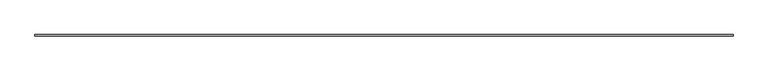
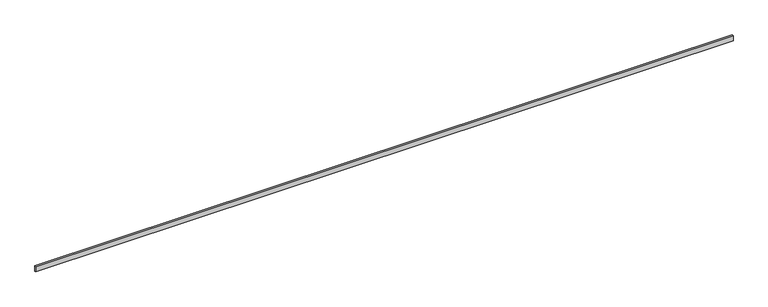
"""IFC4 building model written with IfcOpenShell, lengths in millimetres: railing geometry."""

from ifc_helpers import new_model, si_unit, frame, origin, place, context, project, spatial, polyline, outline, extrude, source, transform, mapped, element, save


def railing_818d0a71(model_context):
    return source(origin(), model_context, "Body", "SweptSolid", [
        extrude(outline(polyline([(-10000.6702828, 35556.9465374), (-10000.6702828, 35566.9465374), (-4920.6702828, 35566.9465374), (-4920.6702828, 35556.9465374), (-10000.6702828, 35556.9465374)])), frame((0.0, 0.0, 710.0), z_axis=(0.0, 0.0, 1.0), x_axis=(1.0, 0.0, 0.0)), (0.0, 0.0, 1.0), 40.0),
    ])


if __name__ == "__main__":
    model = new_model("IFC4")
    model_context = context("Model", 3, world=origin())
    ifc_project = project(units=[si_unit("LENGTHUNIT", "METRE", prefix="MILLI")], contexts=[model_context])
    site = spatial("IfcSite", under=ifc_project)
    building = spatial("IfcBuilding", under=site)
    placement = place(None, origin())
    railing_shape = railing_818d0a71(model_context)
    element("IfcRailing", 1, at=placement, inside=building, context=model_context, shape_type="MappedRepresentation", body=[
        mapped(railing_shape, transform((0.0, 0.0, 0.0), x_axis=(1.0, 0.0, 0.0), y_axis=(0.0, 1.0, 0.0), z_axis=(0.0, 0.0, 1.0))),
    ])
    save(model, "model.ifc")
